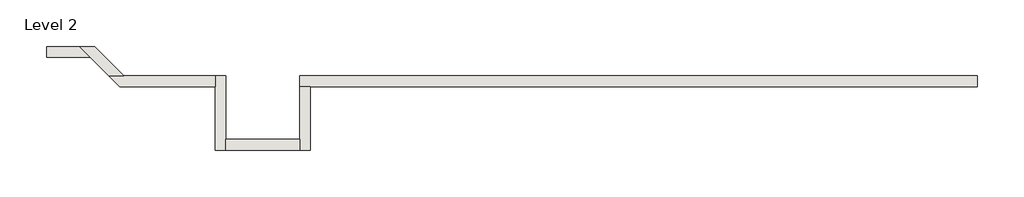
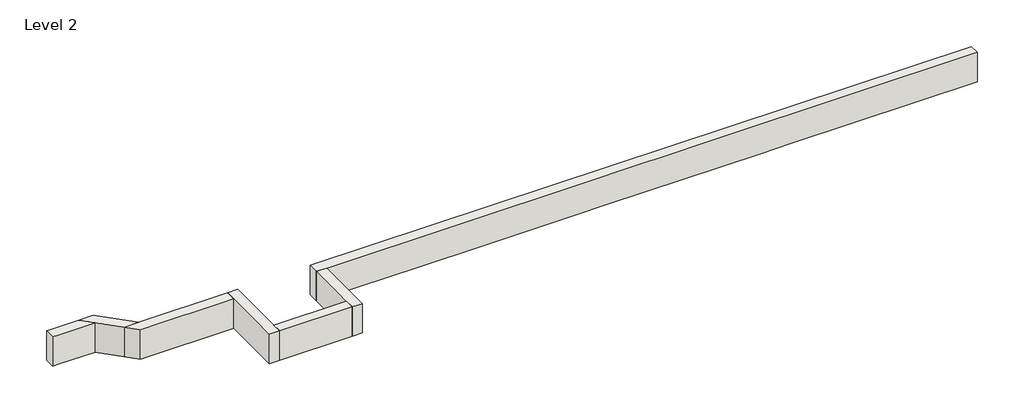
# One storey: 7 walls.
"""IFC4 building model written with IfcOpenShell, lengths in millimetres."""

from ifc_helpers import new_model, si_unit, frame, origin, place, context, project, spatial, polyline, outline, extrude, faceted_brep, element, save

model = new_model("IFC4")

# Units and contexts
model_context = context("Model", 3, world=origin())
ifc_project = project(units=[si_unit("LENGTHUNIT", "METRE", prefix="MILLI")], contexts=[model_context])

# Site, building, storey
site = spatial("IfcSite", under=ifc_project)
building = spatial("IfcBuilding", under=site)
storey = spatial("IfcBuildingStorey", under=building, Name="Level 2", Elevation=3048.0)

# Walls
placement = place(None, origin())
element("IfcWall", 1, ObjectType="Generic - 8\" Brick", at=placement, inside=storey, context=model_context, shape_type="Brep", body=[
    faceted_brep([(14630.357857, 1422.3976187, 3048.0), (10972.757857, 1422.3976187, 3048.0), (10363.157857, 1422.3976187, 3048.0), (7315.157857, 1422.3976187, 3048.0), (6705.557857, 1422.3976187, 3048.0), (4876.757857, 1422.3976187, 3048.0), (3657.557857, 1422.3976187, 3048.0), (1625.5602383, 1422.3976187, 3048.0), (1625.5602383, 1422.3976187, 3657.6), (14630.357857, 1422.3976187, 3657.6), (14630.357857, 1219.1976187, 3048.0), (14630.357857, 1219.1976187, 3657.6), (1828.7602383, 1219.1976187, 3657.6), (1625.5602383, 1219.1976187, 3657.6), (1625.5602383, 1219.1976187, 3048.0), (1828.7602383, 1219.1976187, 3048.0), (3657.557857, 1219.1976187, 3048.0), (4876.757857, 1219.1976187, 3048.0), (6705.557857, 1219.1976187, 3048.0), (7315.157857, 1219.1976187, 3048.0), (10363.157857, 1219.1976187, 3048.0), (10972.757857, 1219.1976187, 3048.0)], [[[0, 1, 2, 3, 4, 5, 6, 7, 8, 9]], [[10, 11, 12, 13, 14, 15, 16, 17, 18, 19, 20, 21]], [[7, 6, 5, 4, 3, 2, 1, 0, 10, 21, 20, 19, 18, 17, 16, 15, 14]], [[9, 8, 13, 12, 11]], [[0, 9, 11, 10]], [[8, 7, 14, 13]]]),
])
element("IfcWall", 2, ObjectType="Generic - 8\" Brick", at=placement, inside=storey, context=model_context, shape_type="Brep", body=[
    faceted_brep([(1625.5602383, 1219.1976187, 3048.0), (1625.5602383, 203.2, 3048.0), (1625.5602383, 0.0, 3048.0), (1625.5602383, 0.0, 3657.6), (1625.5602383, 203.2, 3657.6), (1625.5602383, 1219.1976187, 3657.6), (1828.7602383, 1219.1976187, 3048.0), (1828.7602383, 1219.1976187, 3657.6), (1828.7602383, 0.0, 3657.6), (1828.7602383, 0.0, 3048.0)], [[[0, 1, 2, 3, 4, 5]], [[6, 7, 8, 9]], [[2, 1, 0, 6, 9]], [[5, 4, 3, 8, 7]], [[0, 5, 7, 6]], [[3, 2, 9, 8]]]),
])
element("IfcWall", 3, ObjectType="Generic - 8\" Brick", at=placement, inside=storey, context=model_context, shape_type="SweptSolid", body=[
    extrude(outline(polyline([(203.157857, 203.2), (1625.5602383, 203.2), (1625.5602383, 0.0), (203.157857, 0.0), (203.157857, 203.2)])), frame((0.0, 0.0, 3048.0), z_axis=(0.0, 0.0, 1.0), x_axis=(1.0, 0.0, 0.0)), (0.0, 0.0, 1.0), 609.6),
])
element("IfcWall", 4, ObjectType="Generic - 8\" Brick", at=placement, inside=storey, context=model_context, shape_type="Brep", body=[
    faceted_brep([(203.157857, 0.0, 3048.0), (203.157857, 203.2, 3048.0), (203.157857, 1422.3976187, 3048.0), (203.157857, 1422.3976187, 3657.6), (203.157857, 203.2, 3657.6), (203.157857, 0.0, 3657.6), (-0.042143, 0.0, 3048.0), (-0.042143, 0.0, 3657.6), (-0.042143, 1219.1976187, 3657.6), (-0.042143, 1422.3976187, 3657.6), (-0.042143, 1422.3976187, 3048.0), (-0.042143, 1219.1976187, 3048.0)], [[[0, 1, 2, 3, 4, 5]], [[6, 7, 8, 9, 10, 11]], [[2, 1, 0, 6, 11, 10]], [[5, 4, 3, 9, 8, 7]], [[0, 5, 7, 6]], [[3, 2, 10, 9]]]),
])
element("IfcWall", 5, ObjectType="Generic - 8\" Brick", at=placement, inside=storey, context=model_context, shape_type="Brep", body=[
    faceted_brep([(-0.042143, 1422.3976187, 3048.0), (-1751.1739529, 1422.3976187, 3048.0), (-2038.5421487, 1422.3976187, 3048.0), (-2038.5421487, 1422.3976187, 3657.6), (-1751.1739529, 1422.3976187, 3657.6), (-0.042143, 1422.3976187, 3657.6), (-0.042143, 1219.1976187, 3048.0), (-0.042143, 1219.1976187, 3657.6), (-1835.3421487, 1219.1976187, 3657.6), (-1835.3421487, 1219.1976187, 3048.0)], [[[0, 1, 2, 3, 4, 5]], [[6, 7, 8, 9]], [[2, 1, 0, 6, 9]], [[5, 4, 3, 8, 7]], [[0, 5, 7, 6]], [[3, 2, 9, 8]]]),
])
element("IfcWall", 6, ObjectType="Generic - 8\" Brick", at=placement, inside=storey, context=model_context, shape_type="Brep", body=[
    faceted_brep([(-1751.1739529, 1422.3976187, 3048.0), (-2315.548536, 1986.7722019, 3048.0), (-2315.548536, 1986.7722019, 3657.6), (-1751.1739529, 1422.3976187, 3657.6), (-2038.5421487, 1422.3976187, 3048.0), (-2038.5421487, 1422.3976187, 3657.6), (-2399.7167319, 1783.5722019, 3657.6), (-2602.9167319, 1986.7722019, 3657.6), (-2602.9167319, 1986.7722019, 3048.0), (-2399.7167319, 1783.5722019, 3048.0)], [[[0, 1, 2, 3]], [[4, 5, 6, 7, 8, 9]], [[1, 0, 4, 9, 8]], [[3, 2, 7, 6, 5]], [[2, 1, 8, 7]], [[0, 3, 5, 4]]]),
])
element("IfcWall", 7, ObjectType="Generic - 8\" Brick", at=placement, inside=storey, context=model_context, shape_type="Brep", body=[
    faceted_brep([(-2602.9167319, 1986.7722019, 3048.0), (-3134.8862725, 1986.7722019, 3048.0), (-3236.4862725, 1986.7722019, 3048.0), (-3236.4862725, 1986.7722019, 3657.6), (-3134.8862725, 1986.7722019, 3657.6), (-2602.9167319, 1986.7722019, 3657.6), (-2399.7167319, 1783.5722019, 3048.0), (-2399.7167319, 1783.5722019, 3657.6), (-3134.8862725, 1783.5722019, 3657.6), (-3236.4862725, 1783.5722019, 3657.6), (-3236.4862725, 1783.5722019, 3048.0), (-3134.8862725, 1783.5722019, 3048.0)], [[[0, 1, 2, 3, 4, 5]], [[6, 7, 8, 9, 10, 11]], [[2, 1, 0, 6, 11, 10]], [[3, 2, 10, 9]], [[5, 4, 3, 9, 8, 7]], [[0, 5, 7, 6]]]),
])

save(model, "model.ifc")
